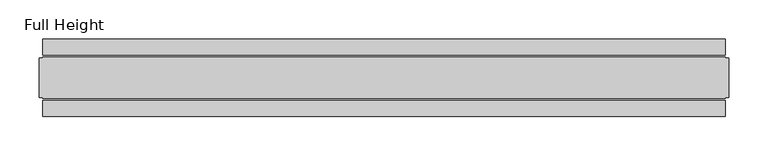
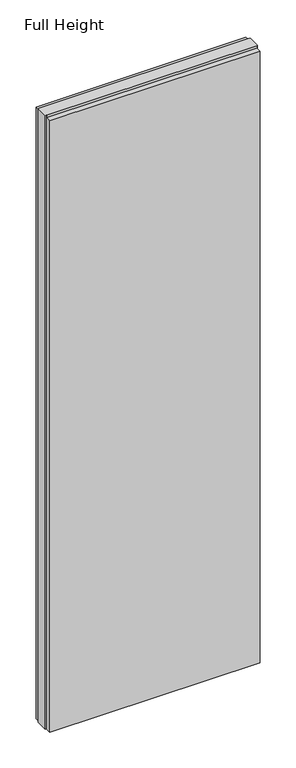
"""IFC4 building model written with IfcOpenShell, lengths in millimetres: plate geometry, Full Height."""

from ifc_helpers import new_model, si_unit, origin, origin_with_axes, place, context, project, spatial, polyline, outline, extrude, source, transform, mapped, element, save


def full_height_04865c16(model_context):
    return source(origin(), model_context, "Body", "SweptSolid", [
        extrude(outline(polyline([(435.5995243, -28.956), (435.5995243, -49.53), (-435.5995243, -49.53), (-435.5995243, -28.956), (435.5995243, -28.956)])), origin_with_axes(), (0.0, 0.0, 1.0), 2679.192),
        extrude(outline(polyline([(435.5995243, 28.956), (-435.5995243, 28.956), (-435.5995243, 49.53), (435.5995243, 49.53), (435.5995243, 28.956)])), origin_with_axes(), (0.0, 0.0, 1.0), 2679.192),
        extrude(outline(polyline([(435.5995243, 25.146), (440.1715243, 25.146), (440.1715243, -25.146), (435.5995243, -25.146), (435.5995243, -26.67), (-435.5995243, -26.67), (-435.5995243, -25.146), (-440.1715243, -25.146), (-440.1715243, 25.146), (-435.5995243, 25.146), (-435.5995243, 26.67), (435.5995243, 26.67), (435.5995243, 25.146)])), origin_with_axes(), (0.0, 0.0, 1.0), 2688.336),
    ])


if __name__ == "__main__":
    model = new_model("IFC4")
    model_context = context("Model", 3, world=origin())
    ifc_project = project(units=[si_unit("LENGTHUNIT", "METRE", prefix="MILLI")], contexts=[model_context])
    site = spatial("IfcSite", under=ifc_project)
    building = spatial("IfcBuilding", under=site)
    placement = place(None, origin())
    full_height_shape = full_height_04865c16(model_context)
    element("IfcPlate", 1, ObjectType="Full Height", at=placement, inside=building, context=model_context, shape_type="MappedRepresentation", body=[
        mapped(full_height_shape, transform((0.0, 0.0, 0.0), x_axis=(1.0, 0.0, 0.0), y_axis=(0.0, 1.0, 0.0), z_axis=(0.0, 0.0, 1.0))),
    ])
    save(model, "model.ifc")
